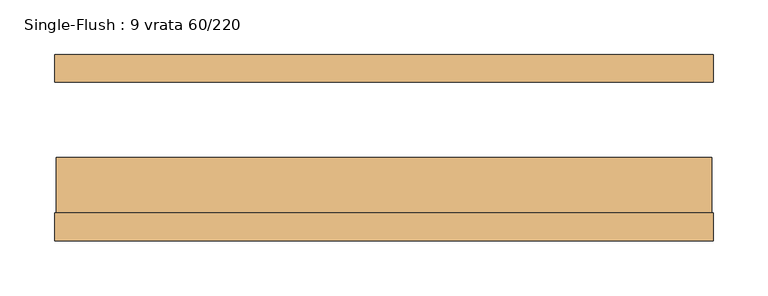
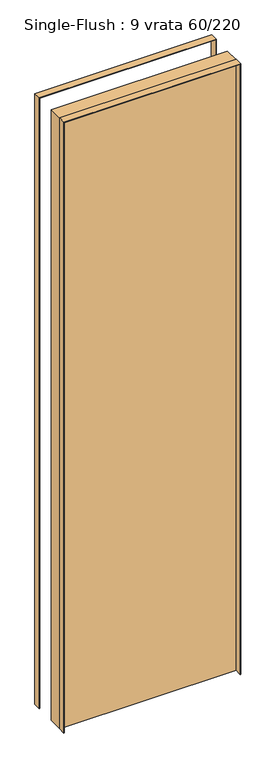
"""IFC4 building model written with IfcOpenShell, lengths in millimetres: door geometry, Single-Flush : 9 vrata 60/220."""

from ifc_helpers import new_model, si_unit, frame, origin, origin_with_axes, place, context, project, spatial, polyline, outline, extrude, source, transform, mapped, element, save


def single_flush_9_vrata_60_220_0d8763ef(model_context):
    return source(origin(), model_context, "Body", "SweptSolid", [
        extrude(outline(polyline([(2201.5875, -301.5875), (0.0, -301.5875), (0.0, -300.0), (2200.0, -300.0), (2200.0, 300.0), (0.0, 300.0), (0.0, 301.5875), (2201.5875, 301.5875), (2201.5875, -301.5875)])), frame((0.0, -85.4, 0.0), z_axis=(0.0, 1.0, 0.0), x_axis=(0.0, 0.0, 1.0)), (0.0, 0.0, 1.0), 25.4),
        extrude(outline(polyline([(2201.5875, 301.5875), (2201.5875, -301.5875), (0.0, -301.5875), (0.0, -300.0), (2200.0, -300.0), (2200.0, 300.0), (0.0, 300.0), (0.0, 301.5875), (2201.5875, 301.5875)])), frame((0.0, 60.0, 0.0), z_axis=(0.0, 1.0, 0.0), x_axis=(0.0, 0.0, 1.0)), (0.0, 0.0, 1.0), 25.4),
        extrude(outline(polyline([(300.0, -9.2), (300.0, -60.0), (-300.0, -60.0), (-300.0, -9.2), (300.0, -9.2)])), origin_with_axes(), (0.0, 0.0, 1.0), 2200.0),
    ])


if __name__ == "__main__":
    model = new_model("IFC4")
    model_context = context("Model", 3, world=origin())
    ifc_project = project(units=[si_unit("LENGTHUNIT", "METRE", prefix="MILLI")], contexts=[model_context])
    site = spatial("IfcSite", under=ifc_project)
    building = spatial("IfcBuilding", under=site)
    placement = place(None, origin())
    single_flush_9_vrata_60_220_shape = single_flush_9_vrata_60_220_0d8763ef(model_context)
    element("IfcDoor", 1, ObjectType="Single-Flush : 9 vrata 60/220", at=placement, inside=building, context=model_context, shape_type="MappedRepresentation", body=[
        mapped(single_flush_9_vrata_60_220_shape, transform((0.0, 0.0, 0.0), x_axis=(1.0, 0.0, 0.0), y_axis=(0.0, 1.0, 0.0), z_axis=(0.0, 0.0, 1.0))),
    ])
    save(model, "model.ifc")
